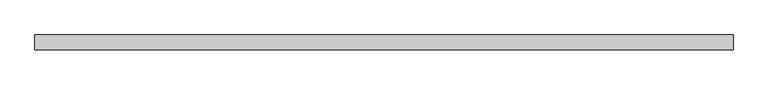
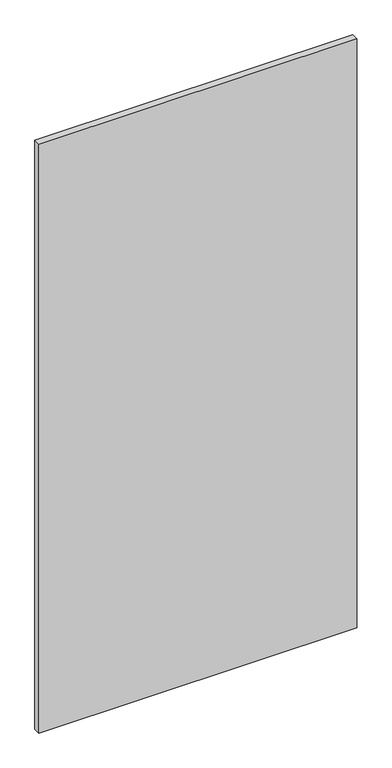
"""IFC4 building model written with IfcOpenShell, lengths in millimetres: plate geometry."""

from ifc_helpers import new_model, si_unit, origin, origin_with_axes, place, context, project, spatial, polyline, outline, extrude, source, transform, mapped, element, save


def plate_d7b38434(model_context):
    return source(origin(), model_context, "Body", "SweptSolid", [
        extrude(outline(polyline([(593.6383936, 24.5), (-593.6383936, 24.5), (-593.6383936, 49.5), (593.6383936, 49.5), (593.6383936, 24.5)])), origin_with_axes(), (0.0, 0.0, 1.0), 2325.0),
    ])


if __name__ == "__main__":
    model = new_model("IFC4")
    model_context = context("Model", 3, world=origin())
    ifc_project = project(units=[si_unit("LENGTHUNIT", "METRE", prefix="MILLI")], contexts=[model_context])
    site = spatial("IfcSite", under=ifc_project)
    building = spatial("IfcBuilding", under=site)
    placement = place(None, origin())
    plate_shape = plate_d7b38434(model_context)
    element("IfcPlate", 1, at=placement, inside=building, context=model_context, shape_type="MappedRepresentation", body=[
        mapped(plate_shape, transform((0.0, 0.0, 0.0), x_axis=(1.0, 0.0, 0.0), y_axis=(0.0, 1.0, 0.0), z_axis=(0.0, 0.0, 1.0))),
    ])
    save(model, "model.ifc")
